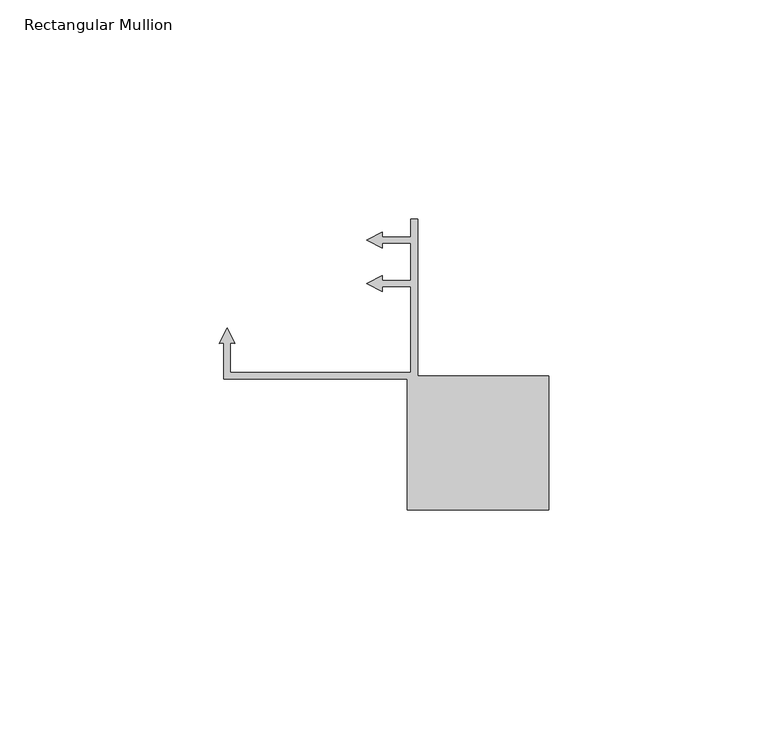
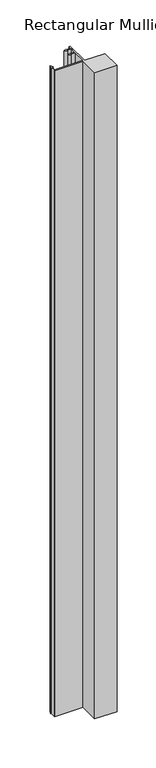
"""IFC4 building model written with IfcOpenShell, lengths in millimetres: member geometry, Rectangular Mullion."""

import ifcopenshell
import ifcopenshell.guid

model = None  # the IFC model being written
_history = None  # IfcOwnerHistory: only IFC2X3 demands one
_inside = {}  # id of a spatial element -> (the spatial element, [elements in it])
_under = {}  # id of a project, library or spatial element -> (it, [spatial elements below it])
_declared = {}  # id of a project -> (the project, [libraries it declares])
_typed = {}  # id of a type object -> (the type object, [elements of that type])
_made_of = {}  # id of a material, layer set ... -> (it, [elements and type objects made of it])


def new_model(schema):
    """Start an empty IFC model of exactly this schema.

    Asked for "IFC4X3", IfcOpenShell would pick the latest addendum, in which some entities
    have other attributes; the version numbers below select the first issue.
    IFC2X3 requires an IfcOwnerHistory on every rooted entity: one is made here for all.
    """
    global model, _history
    if schema == "IFC4X3":
        model = ifcopenshell.file(schema_version=(4, 3, 0, 0))
    else:
        model = ifcopenshell.file(schema=schema)
    _inside.clear()
    _under.clear()
    _declared.clear()
    _typed.clear()
    _made_of.clear()
    _history = None
    if model.schema == "IFC2X3":
        org = make("IfcOrganization", Name="unknown")
        user = make(
            "IfcPersonAndOrganization",
            ThePerson=make("IfcPerson", FamilyName="unknown"),
            TheOrganization=org,
        )
        app = make(
            "IfcApplication",
            ApplicationDeveloper=org,
            Version="unknown",
            ApplicationFullName="unknown",
            ApplicationIdentifier="unknown",
        )
        _history = make(
            "IfcOwnerHistory",
            OwningUser=user,
            OwningApplication=app,
            ChangeAction="ADDED",
            CreationDate=0,
        )
    return model


def make(cls, **values):
    """One entity of the class cls with the attributes given. An attribute that is None is left unset."""
    return model.create_entity(
        cls, **{name: value for name, value in values.items() if value is not None}
    )


def rooted(cls, **values):
    """An entity with a GlobalId (a new one), such as an element, a storey or a relation."""
    return make(cls, GlobalId=ifcopenshell.guid.new(), OwnerHistory=_history, **values)


def si_unit(unit_type, name, prefix=None):
    """IfcSIUnit, for example si_unit("LENGTHUNIT", "METRE", prefix="MILLI")."""
    return make("IfcSIUnit", UnitType=unit_type, Prefix=prefix, Name=name)


def assignment(units):
    """IfcUnitAssignment: the units of a project."""
    return None if units is None else make("IfcUnitAssignment", Units=units)


def point(xyz):
    """IfcCartesianPoint."""
    return None if xyz is None else make("IfcCartesianPoint", Coordinates=xyz)


def direction(xyz):
    """IfcDirection."""
    return None if xyz is None else make("IfcDirection", DirectionRatios=xyz)


def frame(location, z_axis=None, x_axis=None):
    """IfcAxis2Placement3D, a coordinate frame: its origin and axes. An axis left out is left unset."""
    return make(
        "IfcAxis2Placement3D",
        Location=point(location),
        Axis=direction(z_axis),
        RefDirection=direction(x_axis),
    )


def origin():
    """The frame at (0, 0, 0) with its axes left unset."""
    return frame((0.0, 0.0, 0.0))


def place(relative_to, where):
    """IfcLocalPlacement: puts the frame where relative to a parent placement (None: the world)."""
    return make(
        "IfcLocalPlacement", PlacementRelTo=relative_to, RelativePlacement=where
    )


def context(
    kind, dimensions, precision=None, world=None, true_north=None, identifier=None
):
    """IfcGeometricRepresentationContext, for example the 3D "Model" context."""
    return make(
        "IfcGeometricRepresentationContext",
        ContextIdentifier=identifier,
        ContextType=kind,
        CoordinateSpaceDimension=dimensions,
        Precision=precision,
        WorldCoordinateSystem=world,
        TrueNorth=true_north,
    )


def project(units=None, contexts=None):
    """IfcProject with its units and contexts."""
    return rooted(
        "IfcProject",
        Name="project",
        RepresentationContexts=contexts,
        UnitsInContext=assignment(units),
    )


def spatial(cls, under=None, at=None, **own):
    """A site, building, storey or space (cls), placed at a placement, below another one or the project."""
    s = rooted(cls, ObjectPlacement=at, **own)
    if under is not None:
        _under.setdefault(under.id(), (under, []))[1].append(s)
    return s


def faces_of(points, faces, orient=None, outer=None):
    """IfcFace entities. A face is a list of loops; a loop is a list of indices into points, from 0.

    orient and outer hold one flag for each loop. By default every Orientation is true, the
    first loop of a face is its IfcFaceOuterBound and the others are IfcFaceBound.
    """
    made = []
    for i, loops in enumerate(faces):
        bounds = []
        for j, loop in enumerate(loops):
            is_outer = j == 0 if outer is None else outer[i][j]
            bounds.append(
                make(
                    "IfcFaceOuterBound" if is_outer else "IfcFaceBound",
                    Bound=make("IfcPolyLoop", Polygon=[points[k] for k in loop]),
                    Orientation=True if orient is None else orient[i][j],
                )
            )
        made.append(make("IfcFace", Bounds=bounds))
    return made


def faceted_brep(points, faces, orient=None, outer=None, voids=None):
    """IfcFacetedBrep: a solid bounded by flat faces; with voids (closed shells), ...WithVoids."""
    shared = [point(p) for p in points]
    hull = make("IfcClosedShell", CfsFaces=faces_of(shared, faces, orient, outer))
    if voids is None:
        return make("IfcFacetedBrep", Outer=hull)
    return make(
        "IfcFacetedBrepWithVoids",
        Outer=hull,
        Voids=[
            make(cls, CfsFaces=faces_of(shared, fs, o, b)) for cls, fs, o, b in voids
        ],
    )


def shape(context_of_items, identifier, shape_type, items):
    """IfcShapeRepresentation: the items that make up one representation, for example the "Body"."""
    return make(
        "IfcShapeRepresentation",
        ContextOfItems=context_of_items,
        RepresentationIdentifier=identifier,
        RepresentationType=shape_type,
        Items=items,
    )


def source(mapping_origin, context_of_items, identifier, shape_type, items):
    """IfcRepresentationMap: a shape defined once, which mapped items show again and again."""
    return make(
        "IfcRepresentationMap",
        MappingOrigin=mapping_origin,
        MappedRepresentation=shape(context_of_items, identifier, shape_type, items),
    )


def transform(
    local_origin,
    x_axis=None,
    y_axis=None,
    z_axis=None,
    scale=None,
    scale2=None,
    scale3=None,
    uniform=True,
):
    """IfcCartesianTransformationOperator3D, or its non-uniform kind. x_axis, y_axis, z_axis: its Axis1, 2, 3."""
    if uniform:
        return make(
            "IfcCartesianTransformationOperator3D",
            Axis1=direction(x_axis),
            Axis2=direction(y_axis),
            LocalOrigin=point(local_origin),
            Scale=scale,
            Axis3=direction(z_axis),
        )
    return make(
        "IfcCartesianTransformationOperator3DnonUniform",
        Axis1=direction(x_axis),
        Axis2=direction(y_axis),
        LocalOrigin=point(local_origin),
        Scale=scale,
        Axis3=direction(z_axis),
        Scale2=scale2,
        Scale3=scale3,
    )


def mapped(mapping_source, mapping_target):
    """IfcMappedItem: shows the shape of a source again, moved by a transform."""
    return make(
        "IfcMappedItem", MappingSource=mapping_source, MappingTarget=mapping_target
    )


def made_of(thing, what):
    """Note that an element or type object is made of a material, layer set ...; save() writes the relation."""
    if what is not None:
        _made_of.setdefault(what.id(), (what, []))[1].append(thing)
    return thing


def element(
    cls,
    number,
    at=None,
    inside=None,
    cuts=None,
    type_object=None,
    material=None,
    context=None,
    identifier="Body",
    shape_type=None,
    held_by="IfcProductDefinitionShape",
    body=None,
    shapes=None,
    **own,
):
    """One element of the class cls, such as IfcWall. Its Tag is "e" and its number.

    at: its placement. inside: the storey or other place that contains it. cuts: it is an
    opening in that element (IfcRelVoidsElement). A single representation is given by context,
    identifier, shape_type and body (its items); several are given by shapes. held_by: the class
    of the entity that holds the representations. save() writes the other relations.
    """
    e = rooted(cls, Tag="e%d" % number, ObjectPlacement=at, **own)
    if body is not None:
        shapes = [shape(context, identifier, shape_type, body)]
    if shapes is not None:
        e.Representation = make(held_by, Representations=shapes)
    if inside is not None:
        _inside.setdefault(inside.id(), (inside, []))[1].append(e)
    if cuts is not None:
        rooted(
            "IfcRelVoidsElement", RelatingBuildingElement=cuts, RelatedOpeningElement=e
        )
    if type_object is not None:
        _typed.setdefault(type_object.id(), (type_object, []))[1].append(e)
    return made_of(e, material)


def aggregate(whole, parts):
    """IfcRelAggregates: a whole, such as a stair, and the parts it consists of."""
    return rooted("IfcRelAggregates", RelatingObject=whole, RelatedObjects=parts)


def save(model, path):
    """Write the relations noted so far, then the file.

    IfcRelAggregates (storeys below a building ...), IfcRelContainedInSpatialStructure (elements
    in a storey), IfcRelDefinesByType, IfcRelAssociatesMaterial and IfcRelDeclares: one each for
    every whole, place, type object, material and project.
    """
    for whole, parts in _under.values():
        aggregate(whole, parts)
    for where, things in _inside.values():
        rooted(
            "IfcRelContainedInSpatialStructure",
            RelatedElements=things,
            RelatingStructure=where,
        )
    for kind, things in _typed.values():
        rooted("IfcRelDefinesByType", RelatedObjects=things, RelatingType=kind)
    for what, things in _made_of.values():
        rooted("IfcRelAssociatesMaterial", RelatedObjects=things, RelatingMaterial=what)
    for by, libraries in _declared.values():
        rooted("IfcRelDeclares", RelatingContext=by, RelatedDefinitions=libraries)
    model.write(path)


def rectangular_mullion_2c4ba4a7(model_context):
    return source(origin(), model_context, "Body", "Brep", [
        faceted_brep([(-32.3374092, -36.5352346, 0.0), (-32.3374092, -66.45, 0.0), (0.0, -66.45, 0.0), (0.0, -35.9228415, 0.0), (-29.9874091, -35.9228415, 0.0), (-29.9874091, 0.0, 0.0), (-31.4874092, 0.0, 0.0), (-31.4874092, -4.101302, 0.0), (-38.0845951, -4.101302, 0.0), (-37.9869802, -2.985559, 0.0), (-41.5505677, -4.8012956, 0.0), (-37.9869802, -6.6170322, 0.0), (-38.0845939, -5.5013022, 0.0), (-31.4874092, -5.5013022, 0.0), (-31.4874092, -14.1013012, 0.0), (-38.0845951, -14.1013012, 0.0), (-37.9869802, -12.9855581, 0.0), (-41.5505677, -14.8012947, 0.0), (-37.9869802, -16.6170313, 0.0), (-38.0845939, -15.5013013, 0.0), (-31.4874092, -15.5013013, 0.0), (-31.4874092, -35.0352346, 0.0), (-72.7723204, -35.0352346, 0.0), (-72.7723204, -28.3538205, 0.0), (-71.6565836, -28.4514348, 0.0), (-73.4723202, -24.8878474, 0.0), (-75.2880568, -28.4514348, 0.0), (-74.1723206, -28.3538205, 0.0), (-74.1723206, -35.0352346, 0.0), (-74.1723191, -36.5352346, 0.0), (-32.3374092, -36.5352346, -1000.0), (-74.1723191, -36.5352346, -1000.0), (-74.1723191, -35.0352346, -1000.0), (-74.1723206, -28.3538205, -1000.0), (-75.2880568, -28.4514348, -1000.0), (-73.4723202, -24.8878474, -1000.0), (-71.6565836, -28.4514348, -1000.0), (-72.7723204, -28.3538205, -1000.0), (-72.7723204, -35.0352346, -1000.0), (-31.4874092, -35.0352346, -1000.0), (-31.4874092, -15.5013013, -1000.0), (-38.0845939, -15.5013013, -1000.0), (-37.9869802, -16.6170313, -1000.0), (-41.5505677, -14.8012947, -1000.0), (-37.9869802, -12.9855581, -1000.0), (-38.0845951, -14.1013012, -1000.0), (-31.4874092, -14.1013012, -1000.0), (-31.4874092, -5.5013022, -1000.0), (-38.0845939, -5.5013022, -1000.0), (-37.9869802, -6.6170322, -1000.0), (-41.5505677, -4.8012956, -1000.0), (-37.9869802, -2.985559, -1000.0), (-38.0845951, -4.101302, -1000.0), (-31.4874092, -4.101302, -1000.0), (-31.4874092, 0.0, -1000.0), (-29.9874091, 0.0, -1000.0), (-29.9874091, -35.9228415, -1000.0), (0.0, -35.9228415, -1000.0), (0.0, -66.45, -1000.0), (-32.3374092, -66.45, -1000.0)], [[[0, 1, 2, 3, 4, 5, 6, 7, 8, 9, 10, 11, 12, 13, 14, 15, 16, 17, 18, 19, 20, 21, 22, 23, 24, 25, 26, 27, 28, 29]], [[30, 31, 32, 33, 34, 35, 36, 37, 38, 39, 40, 41, 42, 43, 44, 45, 46, 47, 48, 49, 50, 51, 52, 53, 54, 55, 56, 57, 58, 59]], [[1, 0, 30, 59]], [[2, 1, 59, 58]], [[3, 2, 58, 57]], [[4, 3, 57, 56]], [[5, 4, 56, 55]], [[6, 5, 55, 54]], [[7, 6, 54, 53]], [[8, 7, 53, 52]], [[9, 8, 52, 51]], [[10, 9, 51, 50]], [[11, 10, 50, 49]], [[12, 11, 49, 48]], [[13, 12, 48, 47]], [[14, 13, 47, 46]], [[15, 14, 46, 45]], [[16, 15, 45, 44]], [[17, 16, 44, 43]], [[18, 17, 43, 42]], [[19, 18, 42, 41]], [[20, 19, 41, 40]], [[21, 20, 40, 39]], [[22, 21, 39, 38]], [[23, 22, 38, 37]], [[24, 23, 37, 36]], [[25, 24, 36, 35]], [[26, 25, 35, 34]], [[27, 26, 34, 33]], [[28, 27, 33, 32]], [[29, 28, 32, 31]], [[0, 29, 31, 30]]]),
    ])


if __name__ == "__main__":
    model = new_model("IFC4")
    model_context = context("Model", 3, world=origin())
    ifc_project = project(units=[si_unit("LENGTHUNIT", "METRE", prefix="MILLI")], contexts=[model_context])
    site = spatial("IfcSite", under=ifc_project)
    building = spatial("IfcBuilding", under=site)
    placement = place(None, origin())
    rectangular_mullion_shape = rectangular_mullion_2c4ba4a7(model_context)
    element("IfcMember", 1, ObjectType="Rectangular Mullion", at=placement, inside=building, context=model_context, shape_type="MappedRepresentation", body=[
        mapped(rectangular_mullion_shape, transform((0.0, 0.0, 0.0), x_axis=(1.0, 0.0, 0.0), y_axis=(0.0, 1.0, 0.0), z_axis=(0.0, 0.0, 1.0))),
    ])
    save(model, "model.ifc")
